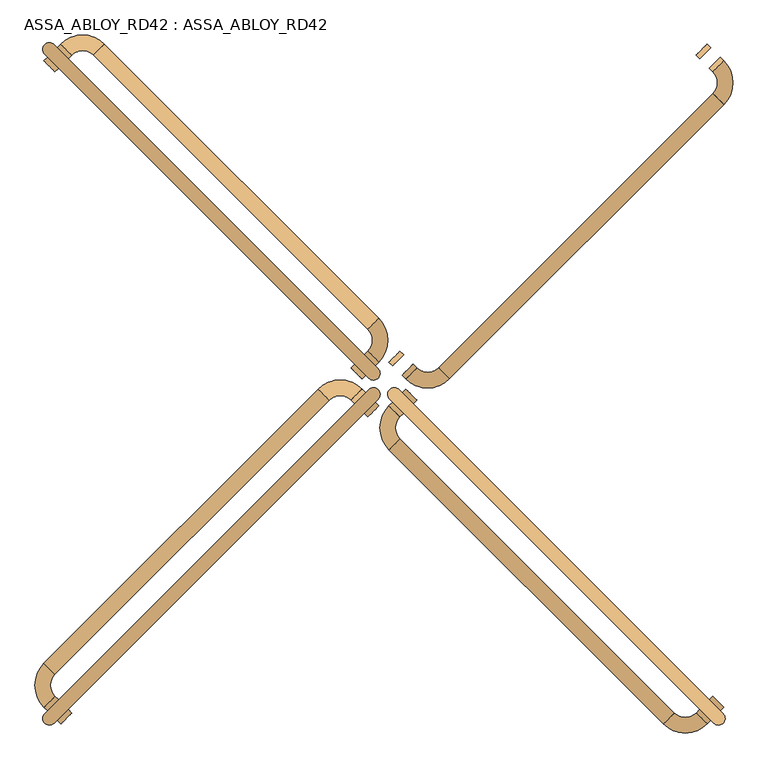
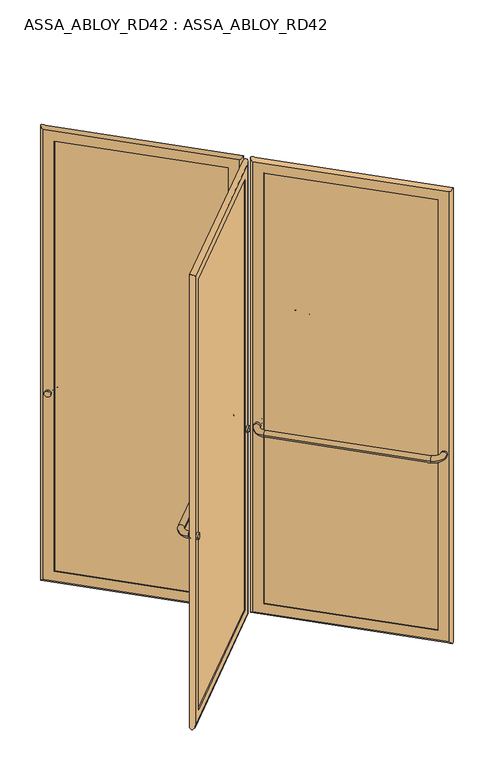
"""IFC4 building model written with IfcOpenShell, lengths in millimetres: door geometry, ASSA_ABLOY_RD42 : ASSA_ABLOY_RD42."""

from ifc_helpers import new_model, si_unit, point, frame, origin, origin_2d, place, context, project, spatial, polyline, circle_curve, ellipse_curve, trimmed, segment, composite_curve, outline, extrude, source, transform, mapped, element, save
from ifc_brep_helpers import plane_surface, cylinder_surface, revolved_surface, advanced_brep


def assa_abloy_rd42_assa_abloy_rd42_a691d871(model_context):
    return source(origin(), model_context, "Body", "SolidModel", [
        extrude(outline(composite_curve([segment(trimmed(circle_curve(origin_2d(), 15.0), [point((0.0, 15.0))], [point((0.0, -15.0))], False, "CARTESIAN"), True, "CONTINUOUS"), segment(trimmed(circle_curve(origin_2d(), 15.0), [point((0.0, -15.0))], [point((0.0, 15.0))], False, "CARTESIAN"), True, "CONTINUOUS")], self_intersect=False)), frame((767.0529573, -623.668181, 1050.0), z_axis=(0.7071067811865496, 0.7071067811865455, 0.0), x_axis=(0.0, 0.0, 1.0)), (0.0, 0.0, 1.0), 10.0),
        extrude(outline(composite_curve([segment(trimmed(circle_curve(origin_2d(), 15.0), [point((0.0, 15.0))], [point((0.0, -15.0))], False, "CARTESIAN"), True, "CONTINUOUS"), segment(trimmed(circle_curve(origin_2d(), 15.0), [point((0.0, -15.0))], [point((0.0, 15.0))], False, "CARTESIAN"), True, "CONTINUOUS")], self_intersect=False)), frame((170.9619408, -27.5771645, 1050.0), z_axis=(0.7071067811865496, 0.7071067811865455, 0.0), x_axis=(0.0, 0.0, 1.0)), (0.0, 0.0, 1.0), 10.0),
        advanced_brep(
        [(141.9705627, -35.3553391, 1050.0), (163.1837662, -56.5685425, 1050.0), (134.8994949, -42.4264069, 1050.0), (156.1126984, -63.6396103, 1050.0), (156.1126984, -106.0660172, 1050.0), (134.8994949, -127.2792206, 1050.0), (667.3509012, -659.7306268, 1050.0), (688.5641046, -638.5174234, 1050.0), (730.9905115, -638.5174234, 1050.0), (752.2037149, -659.7306268, 1050.0), (759.2747827, -652.659559, 1050.0), (738.0615793, -631.4463556, 1050.0)],
        [
            (0, 1, circle_curve(frame((152.5771645, -45.9619408, 1050.0), z_axis=(0.7071067811865497, 0.7071067811865456, 0.0), x_axis=(0.7071067811865456, -0.7071067811865497, 0.0)), 15.0)),
            (1, 0, circle_curve(frame((152.5771645, -45.9619408, 1050.0), z_axis=(0.7071067811865497, 0.7071067811865456, 0.0), x_axis=(0.7071067811865456, -0.7071067811865497, 0.0)), 15.0)),
            (0, 2),
            (2, 3, circle_curve(frame((145.5060967, -53.0330086, 1050.0), z_axis=(0.7071067811865497, 0.7071067811865456, 0.0), x_axis=(0.7071067811865456, -0.7071067811865497, 0.0)), 15.0)),
            (3, 1),
            (3, 2, circle_curve(frame((145.5060967, -53.0330086, 1050.0), z_axis=(0.7071067811865497, 0.7071067811865456, 0.0), x_axis=(0.7071067811865456, -0.7071067811865497, 0.0)), 15.0)),
            (4, 3, circle_curve(frame((177.3259018, -84.8528137, 1050.0), z_axis=(0.0, 0.0, -1.0), x_axis=(-0.707106781186541, 0.7071067811865542, 0.0)), 30.0)),
            (2, 5, circle_curve(frame((177.3259018, -84.8528137, 1050.0), z_axis=(0.0, 0.0, 1.0), x_axis=(-0.707106781186541, 0.7071067811865542, 0.0)), 60.0)),
            (5, 4, circle_curve(frame((145.5060967, -116.6726189, 1050.0), z_axis=(-0.7071067811865127, 0.7071067811865825, 0.0), x_axis=(0.7071067811865825, 0.7071067811865127, 0.0)), 15.0)),
            (4, 5, circle_curve(frame((145.5060967, -116.6726189, 1050.0), z_axis=(-0.707106781186487, 0.7071067811866083, 0.0), x_axis=(0.7071067811866083, 0.707106781186487, 0.0)), 15.0)),
            (5, 6),
            (6, 7, circle_curve(frame((677.9575029, -649.1240251, 1050.0), z_axis=(-0.7071067811865456, 0.7071067811865497, 0.0), x_axis=(0.7071067811865497, 0.7071067811865456, 0.0)), 15.0)),
            (7, 4),
            (7, 6, circle_curve(frame((677.9575029, -649.1240251, 1050.0), z_axis=(-0.7071067811865456, 0.7071067811865497, 0.0), x_axis=(0.7071067811865497, 0.7071067811865456, 0.0)), 15.0)),
            (8, 7, circle_curve(frame((709.777308, -617.30422, 1050.0), z_axis=(0.0, 0.0, -1.0), x_axis=(-0.7071067811865539, -0.7071067811865414, 0.0)), 30.0)),
            (6, 9, circle_curve(frame((709.777308, -617.30422, 1050.0), z_axis=(0.0, 0.0, 1.0), x_axis=(-0.7071067811865539, -0.7071067811865414, 0.0)), 60.0)),
            (9, 8, circle_curve(frame((741.5971132, -649.1240251, 1050.0), z_axis=(-0.7071067811865512, -0.707106781186544, 0.0), x_axis=(-0.707106781186544, 0.7071067811865512, 0.0)), 15.0)),
            (8, 9, circle_curve(frame((741.5971132, -649.1240251, 1050.0), z_axis=(-0.707106781186553, -0.7071067811865422, 0.0), x_axis=(-0.7071067811865422, 0.707106781186553, 0.0)), 15.0)),
            (10, 11, circle_curve(frame((748.668181, -642.0529573, 1050.0), z_axis=(0.7071067811865497, 0.7071067811865456, 0.0), x_axis=(-0.7071067811865456, 0.7071067811865497, 0.0)), 15.0)),
            (11, 10, circle_curve(frame((748.668181, -642.0529573, 1050.0), z_axis=(0.7071067811865497, 0.7071067811865456, 0.0), x_axis=(-0.7071067811865456, 0.7071067811865497, 0.0)), 15.0)),
            (9, 10),
            (11, 8),
        ],
        [
            plane_surface(frame((152.5771645, -45.9619408, 1050.0), z_axis=(0.7071067811865496, 0.7071067811865455, 0.0), x_axis=(0.0, 0.0, 1.0))),
            cylinder_surface(frame((152.5771645, -45.9619408, 1050.0), z_axis=(0.7071067811865497, 0.7071067811865456, 0.0), x_axis=(0.7071067811865456, -0.7071067811865497, 0.0)), 15.0),
            revolved_surface(trimmed(ellipse_curve(frame((145.5060967, -53.0330086, 1050.0), z_axis=(0.7071067811865542, 0.707106781186541, 0.0), x_axis=(0.707106781186541, -0.7071067811865542, 0.0)), 15.0, 15.0), [point((134.8994949, -42.4264069, 1050.0))], [point((156.1126984, -63.6396103, 1050.0))], True, "CARTESIAN"), (177.3259018, -84.8528137, 1050.0), (0.0, 0.0, 1.0)),
            revolved_surface(trimmed(ellipse_curve(frame((145.5060967, -53.0330086, 1050.0), z_axis=(0.7071067811865542, 0.707106781186541, 0.0), x_axis=(0.707106781186541, -0.7071067811865542, 0.0)), 15.0, 15.0), [point((156.1126984, -63.6396103, 1050.0))], [point((134.8994949, -42.4264069, 1050.0))], True, "CARTESIAN"), (177.3259018, -84.8528137, 1050.0), (0.0, 0.0, 1.0)),
            cylinder_surface(frame((145.5060967, -116.6726189, 1050.0), z_axis=(-0.7071067811865456, 0.7071067811865497, 0.0), x_axis=(0.7071067811865497, 0.7071067811865456, 0.0)), 15.0),
            revolved_surface(trimmed(ellipse_curve(frame((677.9575029, -649.1240251, 1050.0), z_axis=(-0.7071067811865414, 0.7071067811865539, 0.0), x_axis=(0.7071067811865539, 0.7071067811865414, 0.0)), 15.0, 15.0), [point((667.3509012, -659.7306268, 1050.0))], [point((688.5641046, -638.5174234, 1050.0))], True, "CARTESIAN"), (709.777308, -617.30422, 1050.0), (0.0, 0.0, 1.0)),
            revolved_surface(trimmed(ellipse_curve(frame((677.9575029, -649.1240251, 1050.0), z_axis=(-0.7071067811865414, 0.7071067811865539, 0.0), x_axis=(0.7071067811865539, 0.7071067811865414, 0.0)), 15.0, 15.0), [point((688.5641046, -638.5174234, 1050.0))], [point((667.3509012, -659.7306268, 1050.0))], True, "CARTESIAN"), (709.777308, -617.30422, 1050.0), (0.0, 0.0, 1.0)),
            plane_surface(frame((748.668181, -642.0529573, 1050.0), z_axis=(0.7071067811865496, 0.7071067811865455, 0.0), x_axis=(0.0, 0.0, 1.0))),
            cylinder_surface(frame((741.5971132, -649.1240251, 1050.0), z_axis=(-0.7071067811865497, -0.7071067811865456, 0.0), x_axis=(-0.7071067811865456, 0.7071067811865497, 0.0)), 15.0),
        ],
        [
            (0, [[1, 2]]),
            (1, [[-1, 3, 4, 5]]),
            (1, [[-2, -5, 6, -3]]),
            (2, [[7, -4, 8, 9]]),
            (3, [[-8, -6, -7, 10]]),
            (4, [[-9, 11, 12, 13]]),
            (4, [[-10, -13, 14, -11]]),
            (5, [[15, -12, 16, 17]]),
            (6, [[-16, -14, -15, 18]]),
            (7, [[19, 20]]),
            (8, [[-17, 21, -20, 22]]),
            (8, [[-18, -22, -19, -21]]),
        ],
    ),
        advanced_brep(
        [(730.2834047, -619.4255403, 105.0), (728.1620844, -621.5468607, 105.0), (728.1620844, -621.5468607, 2395.0), (730.2834047, -619.4255403, 2395.0), (758.5676759, -619.4255403, 85.0), (744.4255403, -633.5676759, 85.0), (744.4255403, -633.5676759, 2415.0), (758.5676759, -619.4255403, 2415.0), (746.5468607, -603.1620844, 105.0), (744.4255403, -605.2834047, 105.0), (744.4255403, -605.2834047, 2395.0), (746.5468607, -603.1620844, 2395.0), (764.931637, -658.3164133, 53.0), (783.3164133, -639.931637, 53.0), (783.3164133, -639.931637, 2447.0), (764.931637, -658.3164133, 2447.0), (173.0832611, -66.4680374, 2395.0), (175.2045815, -64.3467171, 2395.0), (161.0624458, -50.2045815, 2415.0), (175.2045815, -36.0624458, 2415.0), (189.3467171, -50.2045815, 2395.0), (191.4680374, -48.0832611, 2395.0), (154.6984848, -11.3137085, 2447.0), (136.3137085, -29.6984848, 2447.0), (173.0832611, -66.4680374, 105.0), (175.2045815, -64.3467171, 105.0), (161.0624458, -50.2045815, 85.0), (175.2045815, -36.0624458, 85.0), (189.3467171, -50.2045815, 105.0), (191.4680374, -48.0832611, 105.0), (154.6984848, -11.3137085, 53.0), (136.3137085, -29.6984848, 53.0)],
        [
            (0, 1),
            (1, 2),
            (2, 3),
            (3, 0),
            (4, 5),
            (5, 6),
            (6, 7),
            (7, 4),
            (8, 9),
            (9, 10),
            (10, 11),
            (11, 8),
            (12, 13, ellipse_curve(frame((774.1240251, -649.1240251, 53.0), z_axis=(0.4999999999999917, -0.5000000000000084, 0.7071067811865475), x_axis=(0.5000000000000054, -0.4999999999999945, -0.7071067811865476)), 18.3847763, 13.0)),
            (13, 14),
            (14, 15, ellipse_curve(frame((774.1240251, -649.1240251, 2447.0), z_axis=(0.5000000000000054, -0.49999999999999456, -0.7071067811865475), x_axis=(-0.4999999999999915, 0.5000000000000083, -0.7071067811865476)), 18.3847763, 13.0)),
            (15, 12),
            (2, 16),
            (16, 17),
            (17, 3),
            (6, 18),
            (18, 19),
            (19, 7),
            (10, 20),
            (20, 21),
            (21, 11),
            (14, 22),
            (22, 23, ellipse_curve(frame((145.5060967, -20.5060967, 2447.0), z_axis=(0.4999999999999917, -0.5000000000000084, 0.7071067811865475), x_axis=(0.5000000000000054, -0.4999999999999945, -0.7071067811865476)), 18.3847763, 13.0)),
            (23, 15),
            (16, 24),
            (24, 25),
            (25, 17),
            (18, 26),
            (26, 27),
            (27, 19),
            (20, 28),
            (28, 29),
            (29, 21),
            (22, 30),
            (30, 31, ellipse_curve(frame((145.5060967, -20.5060967, 53.0), z_axis=(-0.5000000000000054, 0.49999999999999456, 0.7071067811865475), x_axis=(0.4999999999999915, -0.5000000000000083, 0.7071067811865476)), 18.3847763, 13.0)),
            (31, 23),
            (24, 1),
            (0, 25),
            (5, 26),
            (4, 27),
            (9, 28),
            (8, 29),
            (13, 30),
            (12, 31),
        ],
        [
            plane_surface(frame((728.1620844, -621.5468607, 105.0), z_axis=(-0.7071067811865437, 0.7071067811865513, 0.0), x_axis=(0.0, 0.0, 1.0))),
            plane_surface(frame((744.4255403, -633.5676759, 85.0), z_axis=(-0.7071067811865452, 0.7071067811865498, 0.0), x_axis=(0.0, 0.0, 1.0))),
            plane_surface(frame((744.4255403, -605.2834047, 105.0), z_axis=(-0.7071067811865437, 0.7071067811865513, 0.0), x_axis=(0.0, 0.0, 1.0))),
            cylinder_surface(frame((774.1240251, -649.1240251, 40.0), z_axis=(0.0, 0.0, -1.0), x_axis=(-0.7071067811865456, 0.7071067811865497, 0.0)), 13.0),
            plane_surface(frame((728.1620844, -621.5468607, 2395.0), z_axis=(0.0, 0.0, -1.0), x_axis=(-0.7071067811865455, 0.7071067811865496, 0.0))),
            plane_surface(frame((744.4255403, -633.5676759, 2415.0), z_axis=(0.0, 0.0, -1.0), x_axis=(-0.7071067811865455, 0.7071067811865496, 0.0))),
            plane_surface(frame((744.4255403, -605.2834047, 2395.0), z_axis=(0.0, 0.0, -1.0), x_axis=(-0.7071067811865455, 0.7071067811865496, 0.0))),
            cylinder_surface(frame((783.3164133, -658.3164133, 2447.0), z_axis=(0.7071067811865456, -0.7071067811865497, 0.0), x_axis=(0.0, 0.0, -1.0)), 13.0),
            plane_surface(frame((173.0832611, -66.4680374, 2395.0), z_axis=(0.7071067811865472, -0.7071067811865478, 0.0), x_axis=(0.0, 0.0, -1.0))),
            plane_surface(frame((161.0624458, -50.2045815, 2415.0), z_axis=(0.7071067811865457, -0.7071067811865493, 0.0), x_axis=(0.0, 0.0, -1.0))),
            plane_surface(frame((189.3467171, -50.2045815, 2395.0), z_axis=(0.7071067811865472, -0.7071067811865478, 0.0), x_axis=(0.0, 0.0, -1.0))),
            cylinder_surface(frame((145.5060967, -20.5060967, 2460.0), z_axis=(0.0, 0.0, 1.0), x_axis=(0.7071067811865456, -0.7071067811865497, 0.0)), 13.0),
            plane_surface(frame((173.0832611, -66.4680374, 105.0), z_axis=(0.0, 0.0, 1.0), x_axis=(0.7071067811865455, -0.7071067811865496, 0.0))),
            plane_surface(frame((175.2045815, -64.3467171, 105.0), z_axis=(0.7071067811865496, 0.7071067811865455, 0.0), x_axis=(0.7071067811865455, -0.7071067811865496, 0.0))),
            plane_surface(frame((161.0624458, -50.2045815, 85.0), z_axis=(0.0, 0.0, 1.0), x_axis=(0.7071067811865455, -0.7071067811865496, 0.0))),
            plane_surface(frame((175.2045815, -36.0624458, 85.0), z_axis=(-0.7071067811865496, -0.7071067811865455, 0.0), x_axis=(0.7071067811865455, -0.7071067811865496, 0.0))),
            plane_surface(frame((189.3467171, -50.2045815, 105.0), z_axis=(0.0, 0.0, 1.0), x_axis=(0.7071067811865455, -0.7071067811865496, 0.0))),
            plane_surface(frame((191.4680374, -48.0832611, 105.0), z_axis=(0.7071067811865496, 0.7071067811865455, 0.0), x_axis=(0.7071067811865455, -0.7071067811865496, 0.0))),
            cylinder_surface(frame((136.3137085, -11.3137085, 53.0), z_axis=(-0.7071067811865456, 0.7071067811865497, 0.0), x_axis=(0.0, 0.0, 1.0)), 13.0),
            plane_surface(frame((136.3137085, -29.6984848, 53.0), z_axis=(-0.7071067811865496, -0.7071067811865455, 0.0), x_axis=(0.7071067811865455, -0.7071067811865496, 0.0))),
        ],
        [
            (0, [[1, 2, 3, 4]]),
            (1, [[5, 6, 7, 8]]),
            (2, [[9, 10, 11, 12]]),
            (3, [[13, 14, 15, 16]]),
            (4, [[-3, 17, 18, 19]]),
            (5, [[-7, 20, 21, 22]]),
            (6, [[-11, 23, 24, 25]]),
            (7, [[-15, 26, 27, 28]]),
            (8, [[-18, 29, 30, 31]]),
            (9, [[-21, 32, 33, 34]]),
            (10, [[-24, 35, 36, 37]]),
            (11, [[-27, 38, 39, 40]]),
            (12, [[-30, 41, -1, 42]]),
            (13, [[43, -32, -20, -6], [-19, -31, -42, -4]]),
            (14, [[-33, -43, -5, 44]]),
            (15, [[-22, -34, -44, -8], [45, -35, -23, -10]]),
            (16, [[-36, -45, -9, 46]]),
            (17, [[47, -38, -26, -14], [-25, -37, -46, -12]]),
            (18, [[-39, -47, -13, 48]]),
            (19, [[-28, -40, -48, -16], [-41, -29, -17, -2]]),
        ],
    ),
        extrude(outline(polyline([(755.032142, -622.9610742), (747.9610742, -630.032142), (164.5979797, -46.6690476), (171.6690476, -39.5979797), (755.032142, -622.9610742)])), frame((0.0, 0.0, 85.0), z_axis=(0.0, 0.0, 1.0), x_axis=(1.0, 0.0, 0.0)), (0.0, 0.0, 1.0), 2330.0),
        extrude(outline(composite_curve([segment(trimmed(circle_curve(origin_2d(), 15.0), [point((0.0, -15.0))], [point((0.0, 15.0))], False, "CARTESIAN"), True, "CONTINUOUS"), segment(trimmed(circle_curve(origin_2d(), 15.0), [point((0.0, 15.0))], [point((0.0, -15.0))], False, "CARTESIAN"), True, "CONTINUOUS")], self_intersect=False)), frame((-491.5971132, -649.1240251, 1050.0), z_axis=(-0.7071067811865447, 0.7071067811865503, 0.0), x_axis=(0.0, 0.0, 1.0)), (0.0, 0.0, 1.0), 10.0),
        extrude(outline(composite_curve([segment(trimmed(circle_curve(origin_2d(), 15.0), [point((0.0, -15.0))], [point((0.0, 15.0))], False, "CARTESIAN"), True, "CONTINUOUS"), segment(trimmed(circle_curve(origin_2d(), 15.0), [point((0.0, 15.0))], [point((0.0, -15.0))], False, "CARTESIAN"), True, "CONTINUOUS")], self_intersect=False)), frame((104.4939033, -53.0330086, 1050.0), z_axis=(-0.7071067811865447, 0.7071067811865503, 0.0), x_axis=(0.0, 0.0, 1.0)), (0.0, 0.0, 1.0), 10.0),
        advanced_brep(
        [(89.6446609, -16.9705627, 1050.0), (68.4314575, -38.1837662, 1050.0), (82.5735931, -9.8994949, 1050.0), (61.3603897, -31.1126984, 1050.0), (18.9339828, -31.1126984, 1050.0), (-2.2792206, -9.8994949, 1050.0), (-534.7306268, -542.3509012, 1050.0), (-513.5174234, -563.5641046, 1050.0), (-513.5174234, -605.9905115, 1050.0), (-534.7306268, -627.2037149, 1050.0), (-527.659559, -634.2747827, 1050.0), (-506.4463556, -613.0615793, 1050.0)],
        [
            (0, 1, circle_curve(frame((79.0380592, -27.5771645, 1050.0), z_axis=(0.7071067811865447, -0.7071067811865503, 0.0), x_axis=(-0.7071067811865503, -0.7071067811865447, 0.0)), 15.0)),
            (1, 0, circle_curve(frame((79.0380592, -27.5771645, 1050.0), z_axis=(0.7071067811865447, -0.7071067811865503, 0.0), x_axis=(-0.7071067811865503, -0.7071067811865447, 0.0)), 15.0)),
            (0, 2),
            (2, 3, circle_curve(frame((71.9669914, -20.5060967, 1050.0), z_axis=(0.7071067811865447, -0.7071067811865503, 0.0), x_axis=(-0.7071067811865503, -0.7071067811865447, 0.0)), 15.0)),
            (3, 1),
            (3, 2, circle_curve(frame((71.9669914, -20.5060967, 1050.0), z_axis=(0.7071067811865447, -0.7071067811865503, 0.0), x_axis=(-0.7071067811865503, -0.7071067811865447, 0.0)), 15.0)),
            (4, 3, circle_curve(frame((40.1471863, -52.3259018, 1050.0), z_axis=(0.0, 0.0, -1.0), x_axis=(0.7071067811865549, 0.7071067811865401, 0.0)), 30.0)),
            (2, 5, circle_curve(frame((40.1471863, -52.3259018, 1050.0), z_axis=(0.0, 0.0, 1.0), x_axis=(0.7071067811865549, 0.7071067811865401, 0.0)), 60.0)),
            (5, 4, circle_curve(frame((8.3273811, -20.5060967, 1050.0), z_axis=(0.7071067811865832, 0.7071067811865118, 0.0), x_axis=(0.7071067811865118, -0.7071067811865832, 0.0)), 15.0)),
            (4, 5, circle_curve(frame((8.3273811, -20.5060967, 1050.0), z_axis=(0.707106781186609, 0.7071067811864861, 0.0), x_axis=(0.7071067811864861, -0.707106781186609, 0.0)), 15.0)),
            (5, 6),
            (6, 7, circle_curve(frame((-524.1240251, -552.9575029, 1050.0), z_axis=(0.7071067811865503, 0.7071067811865447, 0.0), x_axis=(0.7071067811865447, -0.7071067811865503, 0.0)), 15.0)),
            (7, 4),
            (7, 6, circle_curve(frame((-524.1240251, -552.9575029, 1050.0), z_axis=(0.7071067811865503, 0.7071067811865447, 0.0), x_axis=(0.7071067811865447, -0.7071067811865503, 0.0)), 15.0)),
            (8, 7, circle_curve(frame((-492.30422, -584.777308, 1050.0), z_axis=(0.0, 0.0, -1.0), x_axis=(-0.7071067811865405, 0.7071067811865546, 0.0)), 30.0)),
            (6, 9, circle_curve(frame((-492.30422, -584.777308, 1050.0), z_axis=(0.0, 0.0, 1.0), x_axis=(-0.7071067811865405, 0.7071067811865546, 0.0)), 60.0)),
            (9, 8, circle_curve(frame((-524.1240251, -616.5971132, 1050.0), z_axis=(-0.7071067811865431, 0.7071067811865519, 0.0), x_axis=(0.7071067811865519, 0.7071067811865431, 0.0)), 15.0)),
            (8, 9, circle_curve(frame((-524.1240251, -616.5971132, 1050.0), z_axis=(-0.7071067811865414, 0.7071067811865537, 0.0), x_axis=(0.7071067811865537, 0.7071067811865414, 0.0)), 15.0)),
            (10, 11, circle_curve(frame((-517.0529573, -623.668181, 1050.0), z_axis=(0.7071067811865447, -0.7071067811865503, 0.0), x_axis=(0.7071067811865503, 0.7071067811865447, 0.0)), 15.0)),
            (11, 10, circle_curve(frame((-517.0529573, -623.668181, 1050.0), z_axis=(0.7071067811865447, -0.7071067811865503, 0.0), x_axis=(0.7071067811865503, 0.7071067811865447, 0.0)), 15.0)),
            (9, 10),
            (11, 8),
        ],
        [
            plane_surface(frame((79.0380592, -27.5771645, 1050.0), z_axis=(0.7071067811865447, -0.7071067811865503, 0.0), x_axis=(0.0, 0.0, 1.0))),
            cylinder_surface(frame((79.0380592, -27.5771645, 1050.0), z_axis=(0.7071067811865447, -0.7071067811865503, 0.0), x_axis=(-0.7071067811865503, -0.7071067811865447, 0.0)), 15.0),
            revolved_surface(trimmed(ellipse_curve(frame((71.9669914, -20.5060967, 1050.0), z_axis=(0.7071067811865401, -0.7071067811865549, 0.0), x_axis=(-0.7071067811865549, -0.7071067811865401, 0.0)), 15.0, 15.0), [point((82.5735931, -9.8994949, 1050.0))], [point((61.3603897, -31.1126984, 1050.0))], True, "CARTESIAN"), (40.1471863, -52.3259018, 1050.0), (0.0, 0.0, 1.0)),
            revolved_surface(trimmed(ellipse_curve(frame((71.9669914, -20.5060967, 1050.0), z_axis=(0.7071067811865401, -0.7071067811865549, 0.0), x_axis=(-0.7071067811865549, -0.7071067811865401, 0.0)), 15.0, 15.0), [point((61.3603897, -31.1126984, 1050.0))], [point((82.5735931, -9.8994949, 1050.0))], True, "CARTESIAN"), (40.1471863, -52.3259018, 1050.0), (0.0, 0.0, 1.0)),
            cylinder_surface(frame((8.3273811, -20.5060967, 1050.0), z_axis=(0.7071067811865503, 0.7071067811865447, 0.0), x_axis=(0.7071067811865447, -0.7071067811865503, 0.0)), 15.0),
            revolved_surface(trimmed(ellipse_curve(frame((-524.1240251, -552.9575029, 1050.0), z_axis=(0.7071067811865546, 0.7071067811865405, 0.0), x_axis=(0.7071067811865405, -0.7071067811865546, 0.0)), 15.0, 15.0), [point((-534.7306268, -542.3509012, 1050.0))], [point((-513.5174234, -563.5641046, 1050.0))], True, "CARTESIAN"), (-492.30422, -584.777308, 1050.0), (0.0, 0.0, 1.0)),
            revolved_surface(trimmed(ellipse_curve(frame((-524.1240251, -552.9575029, 1050.0), z_axis=(0.7071067811865546, 0.7071067811865405, 0.0), x_axis=(0.7071067811865405, -0.7071067811865546, 0.0)), 15.0, 15.0), [point((-513.5174234, -563.5641046, 1050.0))], [point((-534.7306268, -542.3509012, 1050.0))], True, "CARTESIAN"), (-492.30422, -584.777308, 1050.0), (0.0, 0.0, 1.0)),
            plane_surface(frame((-517.0529573, -623.668181, 1050.0), z_axis=(0.7071067811865447, -0.7071067811865503, 0.0), x_axis=(0.0, 0.0, 1.0))),
            cylinder_surface(frame((-524.1240251, -616.5971132, 1050.0), z_axis=(-0.7071067811865447, 0.7071067811865503, 0.0), x_axis=(0.7071067811865503, 0.7071067811865447, 0.0)), 15.0),
        ],
        [
            (0, [[1, 2]]),
            (1, [[-1, 3, 4, 5]]),
            (1, [[-2, -5, 6, -3]]),
            (2, [[7, -4, 8, 9]]),
            (3, [[-8, -6, -7, 10]]),
            (4, [[-9, 11, 12, 13]]),
            (4, [[-10, -13, 14, -11]]),
            (5, [[15, -12, 16, 17]]),
            (6, [[-16, -14, -15, 18]]),
            (7, [[19, 20]]),
            (8, [[-17, 21, -20, 22]]),
            (8, [[-18, -22, -19, -21]]),
        ],
    ),
        advanced_brep(
        [(-494.4255403, -605.2834047, 105.0), (-496.5468607, -603.1620844, 105.0), (-496.5468607, -603.1620844, 2395.0), (-494.4255403, -605.2834047, 2395.0), (-494.4255403, -633.5676759, 85.0), (-508.5676759, -619.4255403, 85.0), (-508.5676759, -619.4255403, 2415.0), (-494.4255403, -633.5676759, 2415.0), (-478.1620844, -621.5468607, 105.0), (-480.2834047, -619.4255403, 105.0), (-480.2834047, -619.4255403, 2395.0), (-478.1620844, -621.5468607, 2395.0), (-533.3164133, -639.931637, 53.0), (-514.931637, -658.3164133, 53.0), (-514.931637, -658.3164133, 2447.0), (-533.3164133, -639.931637, 2447.0), (58.5319626, -48.0832611, 2395.0), (60.6532829, -50.2045815, 2395.0), (74.7954185, -36.0624458, 2415.0), (88.9375542, -50.2045815, 2415.0), (74.7954185, -64.3467171, 2395.0), (76.9167389, -66.4680374, 2395.0), (113.6862915, -29.6984848, 2447.0), (95.3015152, -11.3137085, 2447.0), (58.5319626, -48.0832611, 105.0), (60.6532829, -50.2045815, 105.0), (74.7954185, -36.0624458, 85.0), (88.9375542, -50.2045815, 85.0), (74.7954185, -64.3467171, 105.0), (76.9167389, -66.4680374, 105.0), (113.6862915, -29.6984848, 53.0), (95.3015152, -11.3137085, 53.0)],
        [
            (0, 1),
            (1, 2),
            (2, 3),
            (3, 0),
            (4, 5),
            (5, 6),
            (6, 7),
            (7, 4),
            (8, 9),
            (9, 10),
            (10, 11),
            (11, 8),
            (12, 13, ellipse_curve(frame((-524.1240251, -649.1240251, 53.0), z_axis=(-0.5000000000000089, -0.49999999999999106, 0.7071067811865475), x_axis=(-0.49999999999999495, -0.5000000000000048, -0.7071067811865476)), 18.3847763, 13.0)),
            (13, 14),
            (14, 15, ellipse_curve(frame((-524.1240251, -649.1240251, 2447.0), z_axis=(-0.49999999999999506, -0.5000000000000049, -0.7071067811865475), x_axis=(0.5000000000000088, 0.49999999999999095, -0.7071067811865476)), 18.3847763, 13.0)),
            (15, 12),
            (2, 16),
            (16, 17),
            (17, 3),
            (6, 18),
            (18, 19),
            (19, 7),
            (10, 20),
            (20, 21),
            (21, 11),
            (14, 22),
            (22, 23, ellipse_curve(frame((104.4939033, -20.5060967, 2447.0), z_axis=(-0.5000000000000089, -0.49999999999999106, 0.7071067811865475), x_axis=(-0.4999999999999951, -0.5000000000000049, -0.7071067811865474)), 18.3847763, 13.0)),
            (23, 15),
            (16, 24),
            (24, 25),
            (25, 17),
            (18, 26),
            (26, 27),
            (27, 19),
            (20, 28),
            (28, 29),
            (29, 21),
            (22, 30),
            (30, 31, ellipse_curve(frame((104.4939033, -20.5060967, 53.0), z_axis=(0.49999999999999506, 0.5000000000000049, 0.7071067811865475), x_axis=(-0.5000000000000088, -0.49999999999999095, 0.7071067811865476)), 18.3847763, 13.0)),
            (31, 23),
            (24, 1),
            (0, 25),
            (5, 26),
            (4, 27),
            (9, 28),
            (8, 29),
            (13, 30),
            (12, 31),
        ],
        [
            plane_surface(frame((-496.5468607, -603.1620844, 105.0), z_axis=(0.7071067811865521, 0.7071067811865429, 0.0), x_axis=(0.0, 0.0, 1.0))),
            plane_surface(frame((-508.5676759, -619.4255403, 85.0), z_axis=(0.7071067811865506, 0.7071067811865445, 0.0), x_axis=(0.0, 0.0, 1.0))),
            plane_surface(frame((-480.2834047, -619.4255403, 105.0), z_axis=(0.7071067811865521, 0.7071067811865429, 0.0), x_axis=(0.0, 0.0, 1.0))),
            cylinder_surface(frame((-524.1240251, -649.1240251, 40.0), z_axis=(0.0, 0.0, -1.0), x_axis=(0.7071067811865503, 0.7071067811865447, 0.0)), 13.0),
            plane_surface(frame((-496.5468607, -603.1620844, 2395.0), z_axis=(0.0, 0.0, -1.0), x_axis=(0.7071067811865503, 0.7071067811865447, 0.0))),
            plane_surface(frame((-508.5676759, -619.4255403, 2415.0), z_axis=(0.0, 0.0, -1.0), x_axis=(0.7071067811865503, 0.7071067811865447, 0.0))),
            plane_surface(frame((-480.2834047, -619.4255403, 2395.0), z_axis=(0.0, 0.0, -1.0), x_axis=(0.7071067811865503, 0.7071067811865447, 0.0))),
            cylinder_surface(frame((-533.3164133, -658.3164133, 2447.0), z_axis=(-0.7071067811865503, -0.7071067811865447, 0.0), x_axis=(0.0, 0.0, -1.0)), 13.0),
            plane_surface(frame((58.5319626, -48.0832611, 2395.0), z_axis=(-0.7071067811865486, -0.7071067811865465, 0.0), x_axis=(0.0, 0.0, -1.0))),
            plane_surface(frame((74.7954185, -36.0624458, 2415.0), z_axis=(-0.7071067811865501, -0.7071067811865449, 0.0), x_axis=(0.0, 0.0, -1.0))),
            plane_surface(frame((74.7954185, -64.3467171, 2395.0), z_axis=(-0.7071067811865486, -0.7071067811865465, 0.0), x_axis=(0.0, 0.0, -1.0))),
            cylinder_surface(frame((104.4939033, -20.5060967, 2460.0), z_axis=(0.0, 0.0, 1.0), x_axis=(-0.7071067811865503, -0.7071067811865447, 0.0)), 13.0),
            plane_surface(frame((58.5319626, -48.0832611, 105.0), z_axis=(0.0, 0.0, 1.0), x_axis=(-0.7071067811865503, -0.7071067811865447, 0.0))),
            plane_surface(frame((60.6532829, -50.2045815, 105.0), z_axis=(0.7071067811865447, -0.7071067811865503, 0.0), x_axis=(-0.7071067811865503, -0.7071067811865447, 0.0))),
            plane_surface(frame((74.7954185, -36.0624458, 85.0), z_axis=(0.0, 0.0, 1.0), x_axis=(-0.7071067811865503, -0.7071067811865447, 0.0))),
            plane_surface(frame((88.9375542, -50.2045815, 85.0), z_axis=(-0.7071067811865447, 0.7071067811865503, 0.0), x_axis=(-0.7071067811865503, -0.7071067811865447, 0.0))),
            plane_surface(frame((74.7954185, -64.3467171, 105.0), z_axis=(0.0, 0.0, 1.0), x_axis=(-0.7071067811865503, -0.7071067811865447, 0.0))),
            plane_surface(frame((76.9167389, -66.4680374, 105.0), z_axis=(0.7071067811865447, -0.7071067811865503, 0.0), x_axis=(-0.7071067811865503, -0.7071067811865447, 0.0))),
            cylinder_surface(frame((113.6862915, -11.3137085, 53.0), z_axis=(0.7071067811865503, 0.7071067811865447, 0.0), x_axis=(0.0, 0.0, 1.0)), 13.0),
            plane_surface(frame((95.3015152, -11.3137085, 53.0), z_axis=(-0.7071067811865447, 0.7071067811865503, 0.0), x_axis=(-0.7071067811865503, -0.7071067811865447, 0.0))),
        ],
        [
            (0, [[1, 2, 3, 4]]),
            (1, [[5, 6, 7, 8]]),
            (2, [[9, 10, 11, 12]]),
            (3, [[13, 14, 15, 16]]),
            (4, [[-3, 17, 18, 19]]),
            (5, [[-7, 20, 21, 22]]),
            (6, [[-11, 23, 24, 25]]),
            (7, [[-15, 26, 27, 28]]),
            (8, [[-18, 29, 30, 31]]),
            (9, [[-21, 32, 33, 34]]),
            (10, [[-24, 35, 36, 37]]),
            (11, [[-27, 38, 39, 40]]),
            (12, [[-30, 41, -1, 42]]),
            (13, [[43, -32, -20, -6], [-19, -31, -42, -4]]),
            (14, [[-33, -43, -5, 44]]),
            (15, [[-22, -34, -44, -8], [45, -35, -23, -10]]),
            (16, [[-36, -45, -9, 46]]),
            (17, [[47, -38, -26, -14], [-25, -37, -46, -12]]),
            (18, [[-39, -47, -13, 48]]),
            (19, [[-28, -40, -48, -16], [-41, -29, -17, -2]]),
        ],
    ),
        extrude(outline(polyline([(-497.9610742, -630.032142), (-505.032142, -622.9610742), (78.3309524, -39.5979797), (85.4020203, -46.6690476), (-497.9610742, -630.032142)])), frame((0.0, 0.0, 85.0), z_axis=(0.0, 0.0, 1.0), x_axis=(1.0, 0.0, 0.0)), (0.0, 0.0, 1.0), 2330.0),
        extrude(outline(composite_curve([segment(trimmed(circle_curve(origin_2d(), 15.0), [point((0.0, -15.0))], [point((0.0, 15.0))], False, "CARTESIAN"), True, "CONTINUOUS"), segment(trimmed(circle_curve(origin_2d(), 15.0), [point((0.0, 15.0))], [point((0.0, -15.0))], False, "CARTESIAN"), True, "CONTINUOUS")], self_intersect=False)), frame((-524.1240251, 616.5971132, 1050.0), z_axis=(0.70710678118655, 0.707106781186545, 0.0), x_axis=(0.0, 0.0, 1.0)), (0.0, 0.0, 1.0), 10.0),
        extrude(outline(composite_curve([segment(trimmed(circle_curve(origin_2d(), 15.0), [point((0.0, -15.0))], [point((0.0, 15.0))], False, "CARTESIAN"), True, "CONTINUOUS"), segment(trimmed(circle_curve(origin_2d(), 15.0), [point((0.0, 15.0))], [point((0.0, -15.0))], False, "CARTESIAN"), True, "CONTINUOUS")], self_intersect=False)), frame((71.9669914, 20.5060967, 1050.0), z_axis=(0.70710678118655, 0.707106781186545, 0.0), x_axis=(0.0, 0.0, 1.0)), (0.0, 0.0, 1.0), 10.0),
        advanced_brep(
        [(108.0294373, 35.3553391, 1050.0), (86.8162338, 56.5685425, 1050.0), (115.1005051, 42.4264069, 1050.0), (93.8873016, 63.6396103, 1050.0), (93.8873016, 106.0660172, 1050.0), (115.1005051, 127.2792206, 1050.0), (-417.3509012, 659.7306268, 1050.0), (-438.5641046, 638.5174234, 1050.0), (-480.9905115, 638.5174234, 1050.0), (-502.2037149, 659.7306268, 1050.0), (-509.2747827, 652.659559, 1050.0), (-488.0615793, 631.4463556, 1050.0)],
        [
            (0, 1, circle_curve(frame((97.4228355, 45.9619408, 1050.0), z_axis=(-0.70710678118655, -0.707106781186545, 0.0), x_axis=(-0.707106781186545, 0.70710678118655, 0.0)), 15.0)),
            (1, 0, circle_curve(frame((97.4228355, 45.9619408, 1050.0), z_axis=(-0.70710678118655, -0.707106781186545, 0.0), x_axis=(-0.707106781186545, 0.70710678118655, 0.0)), 15.0)),
            (0, 2),
            (2, 3, circle_curve(frame((104.4939033, 53.0330086, 1050.0), z_axis=(-0.70710678118655, -0.707106781186545, 0.0), x_axis=(-0.707106781186545, 0.70710678118655, 0.0)), 15.0)),
            (3, 1),
            (3, 2, circle_curve(frame((104.4939033, 53.0330086, 1050.0), z_axis=(-0.70710678118655, -0.707106781186545, 0.0), x_axis=(-0.707106781186545, 0.70710678118655, 0.0)), 15.0)),
            (4, 3, circle_curve(frame((72.6740982, 84.8528137, 1050.0), z_axis=(0.0, 0.0, -1.0), x_axis=(0.7071067811865405, -0.7071067811865546, 0.0)), 30.0)),
            (2, 5, circle_curve(frame((72.6740982, 84.8528137, 1050.0), z_axis=(0.0, 0.0, 1.0), x_axis=(0.7071067811865405, -0.7071067811865546, 0.0)), 60.0)),
            (5, 4, circle_curve(frame((104.4939033, 116.6726189, 1050.0), z_axis=(0.7071067811865122, -0.7071067811865829, 0.0), x_axis=(-0.7071067811865829, -0.7071067811865122, 0.0)), 15.0)),
            (4, 5, circle_curve(frame((104.4939033, 116.6726189, 1050.0), z_axis=(0.7071067811864864, -0.7071067811866086, 0.0), x_axis=(-0.7071067811866086, -0.7071067811864864, 0.0)), 15.0)),
            (5, 6),
            (6, 7, circle_curve(frame((-427.9575029, 649.1240251, 1050.0), z_axis=(0.707106781186545, -0.70710678118655, 0.0), x_axis=(-0.70710678118655, -0.707106781186545, 0.0)), 15.0)),
            (7, 4),
            (7, 6, circle_curve(frame((-427.9575029, 649.1240251, 1050.0), z_axis=(0.707106781186545, -0.70710678118655, 0.0), x_axis=(-0.70710678118655, -0.707106781186545, 0.0)), 15.0)),
            (8, 7, circle_curve(frame((-459.777308, 617.30422, 1050.0), z_axis=(0.0, 0.0, -1.0), x_axis=(0.7071067811865543, 0.7071067811865407, 0.0)), 30.0)),
            (6, 9, circle_curve(frame((-459.777308, 617.30422, 1050.0), z_axis=(0.0, 0.0, 1.0), x_axis=(0.7071067811865543, 0.7071067811865407, 0.0)), 60.0)),
            (9, 8, circle_curve(frame((-491.5971132, 649.1240251, 1050.0), z_axis=(0.7071067811865517, 0.7071067811865434, 0.0), x_axis=(0.7071067811865434, -0.7071067811865517, 0.0)), 15.0)),
            (8, 9, circle_curve(frame((-491.5971132, 649.1240251, 1050.0), z_axis=(0.7071067811865535, 0.7071067811865416, 0.0), x_axis=(0.7071067811865416, -0.7071067811865535, 0.0)), 15.0)),
            (10, 11, circle_curve(frame((-498.668181, 642.0529573, 1050.0), z_axis=(-0.70710678118655, -0.707106781186545, 0.0), x_axis=(0.707106781186545, -0.70710678118655, 0.0)), 15.0)),
            (11, 10, circle_curve(frame((-498.668181, 642.0529573, 1050.0), z_axis=(-0.70710678118655, -0.707106781186545, 0.0), x_axis=(0.707106781186545, -0.70710678118655, 0.0)), 15.0)),
            (9, 10),
            (11, 8),
        ],
        [
            plane_surface(frame((97.4228355, 45.9619408, 1050.0), z_axis=(-0.70710678118655, -0.707106781186545, 0.0), x_axis=(0.0, 0.0, 1.0))),
            cylinder_surface(frame((97.4228355, 45.9619408, 1050.0), z_axis=(-0.70710678118655, -0.707106781186545, 0.0), x_axis=(-0.707106781186545, 0.70710678118655, 0.0)), 15.0),
            revolved_surface(trimmed(ellipse_curve(frame((104.4939033, 53.0330086, 1050.0), z_axis=(-0.7071067811865546, -0.7071067811865405, 0.0), x_axis=(-0.7071067811865405, 0.7071067811865546, 0.0)), 15.0, 15.0), [point((115.1005051, 42.4264069, 1050.0))], [point((93.8873016, 63.6396103, 1050.0))], True, "CARTESIAN"), (72.6740982, 84.8528137, 1050.0), (0.0, 0.0, 1.0)),
            revolved_surface(trimmed(ellipse_curve(frame((104.4939033, 53.0330086, 1050.0), z_axis=(-0.7071067811865546, -0.7071067811865405, 0.0), x_axis=(-0.7071067811865405, 0.7071067811865546, 0.0)), 15.0, 15.0), [point((93.8873016, 63.6396103, 1050.0))], [point((115.1005051, 42.4264069, 1050.0))], True, "CARTESIAN"), (72.6740982, 84.8528137, 1050.0), (0.0, 0.0, 1.0)),
            cylinder_surface(frame((104.4939033, 116.6726189, 1050.0), z_axis=(0.707106781186545, -0.70710678118655, 0.0), x_axis=(-0.70710678118655, -0.707106781186545, 0.0)), 15.0),
            revolved_surface(trimmed(ellipse_curve(frame((-427.9575029, 649.1240251, 1050.0), z_axis=(0.7071067811865407, -0.7071067811865543, 0.0), x_axis=(-0.7071067811865543, -0.7071067811865407, 0.0)), 15.0, 15.0), [point((-417.3509012, 659.7306268, 1050.0))], [point((-438.5641046, 638.5174234, 1050.0))], True, "CARTESIAN"), (-459.777308, 617.30422, 1050.0), (0.0, 0.0, 1.0)),
            revolved_surface(trimmed(ellipse_curve(frame((-427.9575029, 649.1240251, 1050.0), z_axis=(0.7071067811865407, -0.7071067811865543, 0.0), x_axis=(-0.7071067811865543, -0.7071067811865407, 0.0)), 15.0, 15.0), [point((-438.5641046, 638.5174234, 1050.0))], [point((-417.3509012, 659.7306268, 1050.0))], True, "CARTESIAN"), (-459.777308, 617.30422, 1050.0), (0.0, 0.0, 1.0)),
            plane_surface(frame((-498.668181, 642.0529573, 1050.0), z_axis=(-0.70710678118655, -0.707106781186545, 0.0), x_axis=(0.0, 0.0, 1.0))),
            cylinder_surface(frame((-491.5971132, 649.1240251, 1050.0), z_axis=(0.70710678118655, 0.707106781186545, 0.0), x_axis=(0.707106781186545, -0.70710678118655, 0.0)), 15.0),
        ],
        [
            (0, [[1, 2]]),
            (1, [[-1, 3, 4, 5]]),
            (1, [[-2, -5, 6, -3]]),
            (2, [[7, -4, 8, 9]]),
            (3, [[-8, -6, -7, 10]]),
            (4, [[-9, 11, 12, 13]]),
            (4, [[-10, -13, 14, -11]]),
            (5, [[15, -12, 16, 17]]),
            (6, [[-16, -14, -15, 18]]),
            (7, [[19, 20]]),
            (8, [[-17, 21, -20, 22]]),
            (8, [[-18, -22, -19, -21]]),
        ],
    ),
        advanced_brep(
        [(-480.2834047, 619.4255403, 105.0), (-478.1620844, 621.5468607, 105.0), (-478.1620844, 621.5468607, 2395.0), (-480.2834047, 619.4255403, 2395.0), (-508.5676759, 619.4255403, 85.0), (-494.4255403, 633.5676759, 85.0), (-494.4255403, 633.5676759, 2415.0), (-508.5676759, 619.4255403, 2415.0), (-496.5468607, 603.1620844, 105.0), (-494.4255403, 605.2834047, 105.0), (-494.4255403, 605.2834047, 2395.0), (-496.5468607, 603.1620844, 2395.0), (-514.931637, 658.3164133, 53.0), (-533.3164133, 639.931637, 53.0), (-533.3164133, 639.931637, 2447.0), (-514.931637, 658.3164133, 2447.0), (76.9167389, 66.4680374, 2395.0), (74.7954185, 64.3467171, 2395.0), (88.9375542, 50.2045815, 2415.0), (74.7954185, 36.0624458, 2415.0), (60.6532829, 50.2045815, 2395.0), (58.5319626, 48.0832611, 2395.0), (95.3015152, 11.3137085, 2447.0), (113.6862915, 29.6984848, 2447.0), (76.9167389, 66.4680374, 105.0), (74.7954185, 64.3467171, 105.0), (88.9375542, 50.2045815, 85.0), (74.7954185, 36.0624458, 85.0), (60.6532829, 50.2045815, 105.0), (58.5319626, 48.0832611, 105.0), (95.3015152, 11.3137085, 53.0), (113.6862915, 29.6984848, 53.0)],
        [
            (0, 1),
            (1, 2),
            (2, 3),
            (3, 0),
            (4, 5),
            (5, 6),
            (6, 7),
            (7, 4),
            (8, 9),
            (9, 10),
            (10, 11),
            (11, 8),
            (12, 13, ellipse_curve(frame((-524.1240251, 649.1240251, 53.0), z_axis=(-0.4999999999999913, 0.5000000000000087, 0.7071067811865475), x_axis=(-0.500000000000005, 0.4999999999999947, -0.7071067811865476)), 18.3847763, 13.0)),
            (13, 14),
            (14, 15, ellipse_curve(frame((-524.1240251, 649.1240251, 2447.0), z_axis=(-0.5000000000000051, 0.4999999999999948, -0.7071067811865475), x_axis=(0.4999999999999912, -0.5000000000000085, -0.7071067811865476)), 18.3847763, 13.0)),
            (15, 12),
            (2, 16),
            (16, 17),
            (17, 3),
            (6, 18),
            (18, 19),
            (19, 7),
            (10, 20),
            (20, 21),
            (21, 11),
            (14, 22),
            (22, 23, ellipse_curve(frame((104.4939033, 20.5060967, 2447.0), z_axis=(-0.4999999999999913, 0.5000000000000087, 0.7071067811865475), x_axis=(-0.5000000000000052, 0.49999999999999495, -0.7071067811865475)), 18.3847763, 13.0)),
            (23, 15),
            (16, 24),
            (24, 25),
            (25, 17),
            (18, 26),
            (26, 27),
            (27, 19),
            (20, 28),
            (28, 29),
            (29, 21),
            (22, 30),
            (30, 31, ellipse_curve(frame((104.4939033, 20.5060967, 53.0), z_axis=(0.5000000000000051, -0.4999999999999948, 0.7071067811865475), x_axis=(-0.4999999999999912, 0.5000000000000085, 0.7071067811865476)), 18.3847763, 13.0)),
            (31, 23),
            (24, 1),
            (0, 25),
            (5, 26),
            (4, 27),
            (9, 28),
            (8, 29),
            (13, 30),
            (12, 31),
        ],
        [
            plane_surface(frame((-478.1620844, 621.5468607, 105.0), z_axis=(0.7071067811865432, -0.7071067811865518, 0.0), x_axis=(0.0, 0.0, 1.0))),
            plane_surface(frame((-494.4255403, 633.5676759, 85.0), z_axis=(0.7071067811865448, -0.7071067811865502, 0.0), x_axis=(0.0, 0.0, 1.0))),
            plane_surface(frame((-494.4255403, 605.2834047, 105.0), z_axis=(0.7071067811865432, -0.7071067811865518, 0.0), x_axis=(0.0, 0.0, 1.0))),
            cylinder_surface(frame((-524.1240251, 649.1240251, 40.0), z_axis=(0.0, 0.0, -1.0), x_axis=(0.707106781186545, -0.70710678118655, 0.0)), 13.0),
            plane_surface(frame((-478.1620844, 621.5468607, 2395.0), z_axis=(0.0, 0.0, -1.0), x_axis=(0.707106781186545, -0.70710678118655, 0.0))),
            plane_surface(frame((-494.4255403, 633.5676759, 2415.0), z_axis=(0.0, 0.0, -1.0), x_axis=(0.707106781186545, -0.70710678118655, 0.0))),
            plane_surface(frame((-494.4255403, 605.2834047, 2395.0), z_axis=(0.0, 0.0, -1.0), x_axis=(0.707106781186545, -0.70710678118655, 0.0))),
            cylinder_surface(frame((-533.3164133, 658.3164133, 2447.0), z_axis=(-0.707106781186545, 0.70710678118655, 0.0), x_axis=(0.0, 0.0, -1.0)), 13.0),
            plane_surface(frame((76.9167389, 66.4680374, 2395.0), z_axis=(-0.7071067811865468, 0.7071067811865482, 0.0), x_axis=(0.0, 0.0, -1.0))),
            plane_surface(frame((88.9375542, 50.2045815, 2415.0), z_axis=(-0.7071067811865452, 0.7071067811865498, 0.0), x_axis=(0.0, 0.0, -1.0))),
            plane_surface(frame((60.6532829, 50.2045815, 2395.0), z_axis=(-0.7071067811865468, 0.7071067811865482, 0.0), x_axis=(0.0, 0.0, -1.0))),
            cylinder_surface(frame((104.4939033, 20.5060967, 2460.0), z_axis=(0.0, 0.0, 1.0), x_axis=(-0.707106781186545, 0.70710678118655, 0.0)), 13.0),
            plane_surface(frame((76.9167389, 66.4680374, 105.0), z_axis=(0.0, 0.0, 1.0), x_axis=(-0.707106781186545, 0.70710678118655, 0.0))),
            plane_surface(frame((74.7954185, 64.3467171, 105.0), z_axis=(-0.70710678118655, -0.707106781186545, 0.0), x_axis=(-0.707106781186545, 0.70710678118655, 0.0))),
            plane_surface(frame((88.9375542, 50.2045815, 85.0), z_axis=(0.0, 0.0, 1.0), x_axis=(-0.707106781186545, 0.70710678118655, 0.0))),
            plane_surface(frame((74.7954185, 36.0624458, 85.0), z_axis=(0.70710678118655, 0.707106781186545, 0.0), x_axis=(-0.707106781186545, 0.70710678118655, 0.0))),
            plane_surface(frame((60.6532829, 50.2045815, 105.0), z_axis=(0.0, 0.0, 1.0), x_axis=(-0.707106781186545, 0.70710678118655, 0.0))),
            plane_surface(frame((58.5319626, 48.0832611, 105.0), z_axis=(-0.70710678118655, -0.707106781186545, 0.0), x_axis=(-0.707106781186545, 0.70710678118655, 0.0))),
            cylinder_surface(frame((113.6862915, 11.3137085, 53.0), z_axis=(0.707106781186545, -0.70710678118655, 0.0), x_axis=(0.0, 0.0, 1.0)), 13.0),
            plane_surface(frame((113.6862915, 29.6984848, 53.0), z_axis=(0.70710678118655, 0.707106781186545, 0.0), x_axis=(-0.707106781186545, 0.70710678118655, 0.0))),
        ],
        [
            (0, [[1, 2, 3, 4]]),
            (1, [[5, 6, 7, 8]]),
            (2, [[9, 10, 11, 12]]),
            (3, [[13, 14, 15, 16]]),
            (4, [[-3, 17, 18, 19]]),
            (5, [[-7, 20, 21, 22]]),
            (6, [[-11, 23, 24, 25]]),
            (7, [[-15, 26, 27, 28]]),
            (8, [[-18, 29, 30, 31]]),
            (9, [[-21, 32, 33, 34]]),
            (10, [[-24, 35, 36, 37]]),
            (11, [[-27, 38, 39, 40]]),
            (12, [[-30, 41, -1, 42]]),
            (13, [[43, -32, -20, -6], [-19, -31, -42, -4]]),
            (14, [[-33, -43, -5, 44]]),
            (15, [[-22, -34, -44, -8], [45, -35, -23, -10]]),
            (16, [[-36, -45, -9, 46]]),
            (17, [[47, -38, -26, -14], [-25, -37, -46, -12]]),
            (18, [[-39, -47, -13, 48]]),
            (19, [[-28, -40, -48, -16], [-41, -29, -17, -2]]),
        ],
    ),
        extrude(outline(polyline([(-505.032142, 622.9610742), (-497.9610742, 630.032142), (85.4020203, 46.6690476), (78.3309524, 39.5979797), (-505.032142, 622.9610742)])), frame((0.0, 0.0, 85.0), z_axis=(0.0, 0.0, 1.0), x_axis=(1.0, 0.0, 0.0)), (0.0, 0.0, 1.0), 2330.0),
        extrude(outline(composite_curve([segment(trimmed(circle_curve(origin_2d(), 15.0), [point((0.0, 15.0))], [point((0.0, -15.0))], False, "CARTESIAN"), True, "CONTINUOUS"), segment(trimmed(circle_curve(origin_2d(), 15.0), [point((0.0, -15.0))], [point((0.0, 15.0))], False, "CARTESIAN"), True, "CONTINUOUS")], self_intersect=False)), frame((748.668181, 642.0529573, 1050.0), z_axis=(-0.7071067811865469, 0.7071067811865481, 0.0), x_axis=(0.0, 0.0, 1.0)), (0.0, 0.0, 1.0), 10.0),
        extrude(outline(composite_curve([segment(trimmed(circle_curve(origin_2d(), 15.0), [point((0.0, 15.0))], [point((0.0, -15.0))], False, "CARTESIAN"), True, "CONTINUOUS"), segment(trimmed(circle_curve(origin_2d(), 15.0), [point((0.0, -15.0))], [point((0.0, 15.0))], False, "CARTESIAN"), True, "CONTINUOUS")], self_intersect=False)), frame((152.5771645, 45.9619408, 1050.0), z_axis=(-0.7071067811865469, 0.7071067811865481, 0.0), x_axis=(0.0, 0.0, 1.0)), (0.0, 0.0, 1.0), 10.0),
        advanced_brep(
        [(160.3553391, 16.9705627, 1050.0), (181.5685425, 38.1837662, 1050.0), (167.4264069, 9.8994949, 1050.0), (188.6396103, 31.1126984, 1050.0), (231.0660172, 31.1126984, 1050.0), (252.2792206, 9.8994949, 1050.0), (784.7306268, 542.3509012, 1050.0), (763.5174234, 563.5641046, 1050.0), (763.5174234, 605.9905115, 1050.0), (784.7306268, 627.2037149, 1050.0), (777.659559, 634.2747827, 1050.0), (756.4463556, 613.0615793, 1050.0)],
        [
            (0, 1, circle_curve(frame((170.9619408, 27.5771645, 1050.0), z_axis=(-0.7071067811865469, 0.7071067811865481, 0.0), x_axis=(0.7071067811865481, 0.7071067811865469, 0.0)), 15.0)),
            (1, 0, circle_curve(frame((170.9619408, 27.5771645, 1050.0), z_axis=(-0.7071067811865469, 0.7071067811865481, 0.0), x_axis=(0.7071067811865481, 0.7071067811865469, 0.0)), 15.0)),
            (0, 2),
            (2, 3, circle_curve(frame((178.0330086, 20.5060967, 1050.0), z_axis=(-0.7071067811865469, 0.7071067811865481, 0.0), x_axis=(0.7071067811865481, 0.7071067811865469, 0.0)), 15.0)),
            (3, 1),
            (3, 2, circle_curve(frame((178.0330086, 20.5060967, 1050.0), z_axis=(-0.7071067811865469, 0.7071067811865481, 0.0), x_axis=(0.7071067811865481, 0.7071067811865469, 0.0)), 15.0)),
            (4, 3, circle_curve(frame((209.8528137, 52.3259018, 1050.0), z_axis=(0.0, 0.0, -1.0), x_axis=(-0.7071067811865527, -0.7071067811865424, 0.0)), 30.0)),
            (2, 5, circle_curve(frame((209.8528137, 52.3259018, 1050.0), z_axis=(0.0, 0.0, 1.0), x_axis=(-0.7071067811865527, -0.7071067811865424, 0.0)), 60.0)),
            (5, 4, circle_curve(frame((241.6726189, 20.5060967, 1050.0), z_axis=(-0.707106781186581, -0.707106781186514, 0.0), x_axis=(-0.707106781186514, 0.707106781186581, 0.0)), 15.0)),
            (4, 5, circle_curve(frame((241.6726189, 20.5060967, 1050.0), z_axis=(-0.7071067811866067, -0.7071067811864883, 0.0), x_axis=(-0.7071067811864883, 0.7071067811866067, 0.0)), 15.0)),
            (5, 6),
            (6, 7, circle_curve(frame((774.1240251, 552.9575029, 1050.0), z_axis=(-0.7071067811865481, -0.7071067811865469, 0.0), x_axis=(-0.7071067811865469, 0.7071067811865481, 0.0)), 15.0)),
            (7, 4),
            (7, 6, circle_curve(frame((774.1240251, 552.9575029, 1050.0), z_axis=(-0.7071067811865481, -0.7071067811865469, 0.0), x_axis=(-0.7071067811865469, 0.7071067811865481, 0.0)), 15.0)),
            (8, 7, circle_curve(frame((742.30422, 584.777308, 1050.0), z_axis=(0.0, 0.0, -1.0), x_axis=(0.7071067811865426, -0.7071067811865525, 0.0)), 30.0)),
            (6, 9, circle_curve(frame((742.30422, 584.777308, 1050.0), z_axis=(0.0, 0.0, 1.0), x_axis=(0.7071067811865426, -0.7071067811865525, 0.0)), 60.0)),
            (9, 8, circle_curve(frame((774.1240251, 616.5971132, 1050.0), z_axis=(0.7071067811865452, -0.7071067811865498, 0.0), x_axis=(-0.7071067811865498, -0.7071067811865452, 0.0)), 15.0)),
            (8, 9, circle_curve(frame((774.1240251, 616.5971132, 1050.0), z_axis=(0.7071067811865435, -0.7071067811865516, 0.0), x_axis=(-0.7071067811865516, -0.7071067811865435, 0.0)), 15.0)),
            (10, 11, circle_curve(frame((767.0529573, 623.668181, 1050.0), z_axis=(-0.7071067811865469, 0.7071067811865481, 0.0), x_axis=(-0.7071067811865481, -0.7071067811865469, 0.0)), 15.0)),
            (11, 10, circle_curve(frame((767.0529573, 623.668181, 1050.0), z_axis=(-0.7071067811865469, 0.7071067811865481, 0.0), x_axis=(-0.7071067811865481, -0.7071067811865469, 0.0)), 15.0)),
            (9, 10),
            (11, 8),
        ],
        [
            plane_surface(frame((170.9619408, 27.5771645, 1050.0), z_axis=(-0.7071067811865469, 0.7071067811865481, 0.0), x_axis=(0.0, 0.0, 1.0))),
            cylinder_surface(frame((170.9619408, 27.5771645, 1050.0), z_axis=(-0.7071067811865469, 0.7071067811865481, 0.0), x_axis=(0.7071067811865481, 0.7071067811865469, 0.0)), 15.0),
            revolved_surface(trimmed(ellipse_curve(frame((178.0330086, 20.5060967, 1050.0), z_axis=(-0.7071067811865424, 0.7071067811865527, 0.0), x_axis=(0.7071067811865527, 0.7071067811865424, 0.0)), 15.0, 15.0), [point((167.4264069, 9.8994949, 1050.0))], [point((188.6396103, 31.1126984, 1050.0))], True, "CARTESIAN"), (209.8528137, 52.3259018, 1050.0), (0.0, 0.0, 1.0)),
            revolved_surface(trimmed(ellipse_curve(frame((178.0330086, 20.5060967, 1050.0), z_axis=(-0.7071067811865424, 0.7071067811865527, 0.0), x_axis=(0.7071067811865527, 0.7071067811865424, 0.0)), 15.0, 15.0), [point((188.6396103, 31.1126984, 1050.0))], [point((167.4264069, 9.8994949, 1050.0))], True, "CARTESIAN"), (209.8528137, 52.3259018, 1050.0), (0.0, 0.0, 1.0)),
            cylinder_surface(frame((241.6726189, 20.5060967, 1050.0), z_axis=(-0.7071067811865481, -0.7071067811865469, 0.0), x_axis=(-0.7071067811865469, 0.7071067811865481, 0.0)), 15.0),
            revolved_surface(trimmed(ellipse_curve(frame((774.1240251, 552.9575029, 1050.0), z_axis=(-0.7071067811865525, -0.7071067811865426, 0.0), x_axis=(-0.7071067811865426, 0.7071067811865525, 0.0)), 15.0, 15.0), [point((784.7306268, 542.3509012, 1050.0))], [point((763.5174234, 563.5641046, 1050.0))], True, "CARTESIAN"), (742.30422, 584.777308, 1050.0), (0.0, 0.0, 1.0)),
            revolved_surface(trimmed(ellipse_curve(frame((774.1240251, 552.9575029, 1050.0), z_axis=(-0.7071067811865525, -0.7071067811865426, 0.0), x_axis=(-0.7071067811865426, 0.7071067811865525, 0.0)), 15.0, 15.0), [point((763.5174234, 563.5641046, 1050.0))], [point((784.7306268, 542.3509012, 1050.0))], True, "CARTESIAN"), (742.30422, 584.777308, 1050.0), (0.0, 0.0, 1.0)),
            plane_surface(frame((767.0529573, 623.668181, 1050.0), z_axis=(-0.7071067811865469, 0.7071067811865481, 0.0), x_axis=(0.0, 0.0, 1.0))),
            cylinder_surface(frame((774.1240251, 616.5971132, 1050.0), z_axis=(0.7071067811865469, -0.7071067811865481, 0.0), x_axis=(-0.7071067811865481, -0.7071067811865469, 0.0)), 15.0),
        ],
        [
            (0, [[1, 2]]),
            (1, [[-1, 3, 4, 5]]),
            (1, [[-2, -5, 6, -3]]),
            (2, [[7, -4, 8, 9]]),
            (3, [[-8, -6, -7, 10]]),
            (4, [[-9, 11, 12, 13]]),
            (4, [[-10, -13, 14, -11]]),
            (5, [[15, -12, 16, 17]]),
            (6, [[-16, -14, -15, 18]]),
            (7, [[19, 20]]),
            (8, [[-17, 21, -20, 22]]),
            (8, [[-18, -22, -19, -21]]),
        ],
    ),
    ])


if __name__ == "__main__":
    model = new_model("IFC4")
    model_context = context("Model", 3, world=origin())
    ifc_project = project(units=[si_unit("LENGTHUNIT", "METRE", prefix="MILLI")], contexts=[model_context])
    site = spatial("IfcSite", under=ifc_project)
    building = spatial("IfcBuilding", under=site)
    placement = place(None, origin())
    assa_abloy_rd42_assa_abloy_rd42_shape = assa_abloy_rd42_assa_abloy_rd42_a691d871(model_context)
    element("IfcDoor", 1, ObjectType="ASSA_ABLOY_RD42 : ASSA_ABLOY_RD42", at=placement, inside=building, context=model_context, shape_type="MappedRepresentation", body=[
        mapped(assa_abloy_rd42_assa_abloy_rd42_shape, transform((0.0, 0.0, 0.0), x_axis=(1.0, 0.0, 0.0), y_axis=(0.0, 1.0, 0.0), z_axis=(0.0, 0.0, 1.0))),
    ])
    save(model, "model.ifc")
